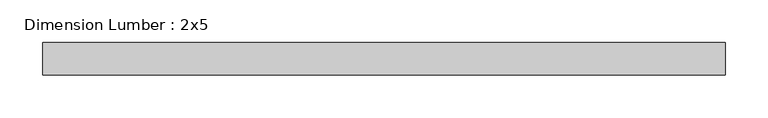
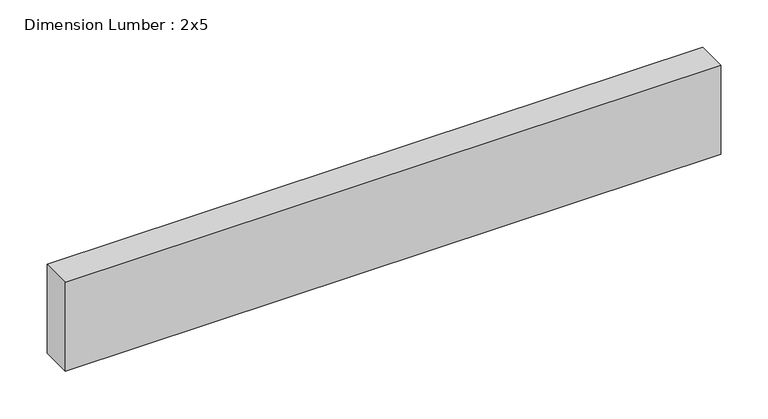
"""IFC4 building model written with IfcOpenShell, lengths in millimetres: beam geometry, Dimension Lumber : 2x5."""

from ifc_helpers import new_model, si_unit, frame, origin, place, context, project, spatial, polyline, outline, extrude, source, transform, mapped, element, save


def dimension_lumber_2x5_97cd45db(model_context):
    return source(origin(), model_context, "Body", "SweptSolid", [
        extrude(outline(polyline([(398.7224679, 19.05), (398.7224679, -19.05), (-398.7224679, -19.05), (-398.7224679, 19.05), (398.7224679, 19.05)])), frame((0.0, 0.0, -57.15), z_axis=(0.0, 0.0, 1.0), x_axis=(1.0, 0.0, 0.0)), (0.0, 0.0, 1.0), 114.3),
    ])


if __name__ == "__main__":
    model = new_model("IFC4")
    model_context = context("Model", 3, world=origin())
    ifc_project = project(units=[si_unit("LENGTHUNIT", "METRE", prefix="MILLI")], contexts=[model_context])
    site = spatial("IfcSite", under=ifc_project)
    building = spatial("IfcBuilding", under=site)
    placement = place(None, origin())
    dimension_lumber_2x5_shape = dimension_lumber_2x5_97cd45db(model_context)
    element("IfcBeam", 1, ObjectType="Dimension Lumber : 2x5", at=placement, inside=building, context=model_context, shape_type="MappedRepresentation", body=[
        mapped(dimension_lumber_2x5_shape, transform((0.0, 0.0, 0.0), x_axis=(1.0, 0.0, 0.0), y_axis=(0.0, 1.0, 0.0), z_axis=(0.0, 0.0, 1.0))),
    ])
    save(model, "model.ifc")
